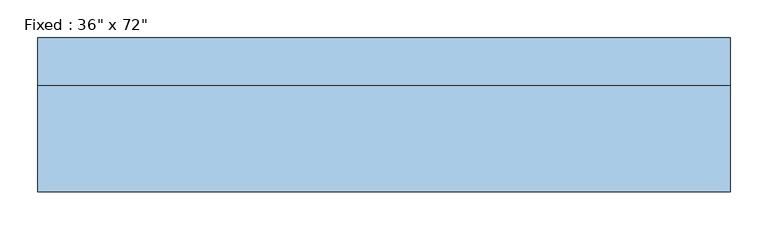
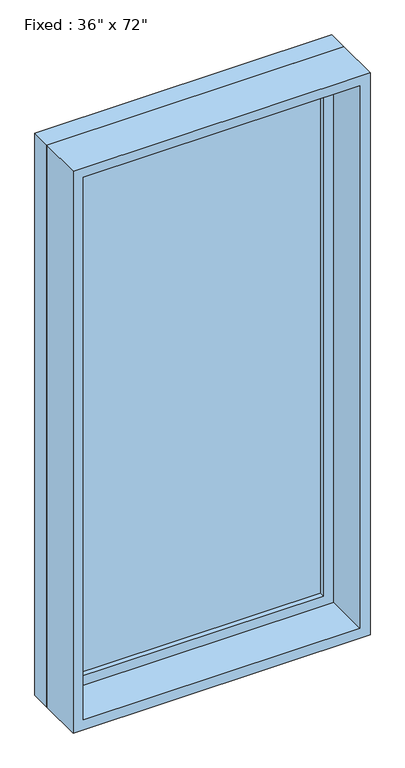
"""IFC4 building model written with IfcOpenShell, lengths in millimetres: window geometry."""

from ifc_helpers import new_model, si_unit, frame, origin, place, context, project, spatial, polyline, outline, extrude, source, transform, mapped, element, save


def window_9a779fa2(model_context):
    return source(origin(), model_context, "Body", "SweptSolid", [
        extrude(outline(polyline([(355.6, 53.975), (-431.8, 53.975), (-431.8, 66.675), (355.6, 66.675), (355.6, 53.975)])), frame((0.0, 0.0, 368.3), z_axis=(0.0, 0.0, 1.0), x_axis=(1.0, 0.0, 0.0)), (0.0, 0.0, 1.0), 1701.8),
        extrude(outline(polyline([(2114.55, -476.25), (323.85, -476.25), (323.85, 400.05), (2114.55, 400.05), (2114.55, -476.25)]), holes=[polyline([(2070.1, -431.8), (2070.1, 355.6), (368.3, 355.6), (368.3, -431.8), (2070.1, -431.8)])]), frame((0.0, 38.1, 0.0), z_axis=(0.0, 1.0, 0.0), x_axis=(0.0, 0.0, 1.0)), (0.0, 0.0, 1.0), 44.45),
        extrude(outline(polyline([(2133.6, -495.3), (304.8, -495.3), (304.8, 419.1), (2133.6, 419.1), (2133.6, -495.3)]), holes=[polyline([(2101.85, -463.55), (2101.85, 387.35), (336.55, 387.35), (336.55, -463.55), (2101.85, -463.55)])]), frame((0.0, -101.6, 0.0), z_axis=(0.0, 1.0, 0.0), x_axis=(0.0, 0.0, 1.0)), (0.0, 0.0, 1.0), 139.7),
        extrude(outline(polyline([(2133.6, 419.1), (2133.6, -495.3), (304.8, -495.3), (304.8, 419.1), (2133.6, 419.1)]), holes=[polyline([(2114.55, 400.05), (323.85, 400.05), (323.85, -476.25), (2114.55, -476.25), (2114.55, 400.05)])]), frame((0.0, 38.1, 0.0), z_axis=(0.0, 1.0, 0.0), x_axis=(0.0, 0.0, 1.0)), (0.0, 0.0, 1.0), 63.5),
    ])


if __name__ == "__main__":
    model = new_model("IFC4")
    model_context = context("Model", 3, world=origin())
    ifc_project = project(units=[si_unit("LENGTHUNIT", "METRE", prefix="MILLI")], contexts=[model_context])
    site = spatial("IfcSite", under=ifc_project)
    building = spatial("IfcBuilding", under=site)
    placement = place(None, origin())
    window_shape = window_9a779fa2(model_context)
    element("IfcWindow", 1, ObjectType="Fixed : 36\" x 72\"", at=placement, inside=building, context=model_context, shape_type="MappedRepresentation", body=[
        mapped(window_shape, transform((0.0, 0.0, 0.0), x_axis=(1.0, 0.0, 0.0), y_axis=(0.0, 1.0, 0.0), z_axis=(0.0, 0.0, 1.0))),
    ])
    save(model, "model.ifc")
